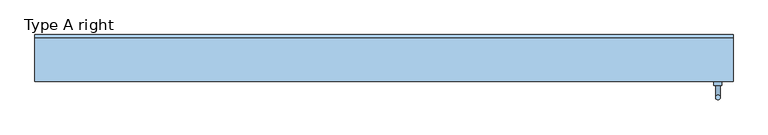
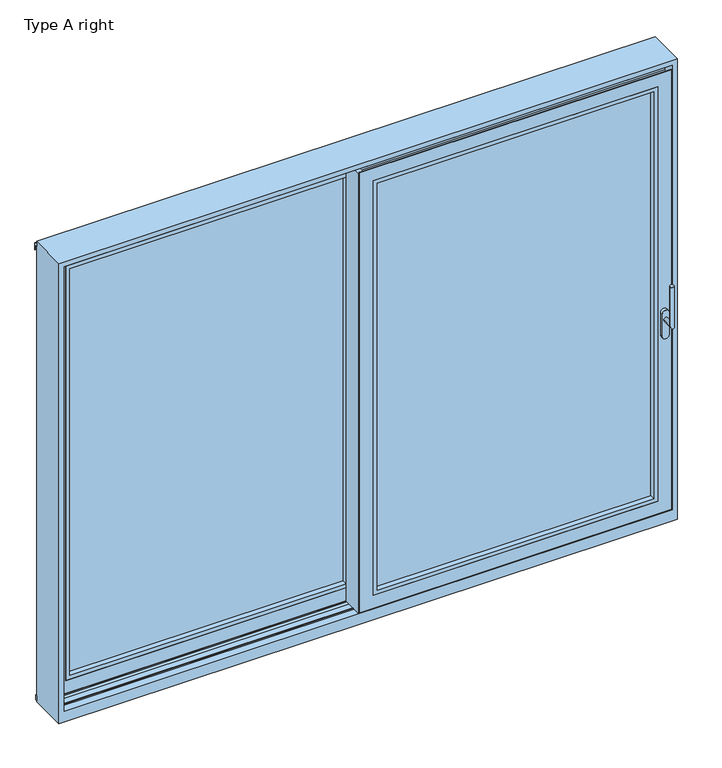
"""IFC4 building model written with IfcOpenShell, lengths in millimetres: window geometry, Type A right."""

from ifc_helpers import new_model, si_unit, point, frame, frame_2d, origin, place, context, project, spatial, polyline, circle_curve, ellipse_curve, trimmed, segment, composite_curve, outline, extrude, faceted_brep, source, transform, mapped, element, save
from ifc_brep_helpers import plane_surface, cylinder_surface, advanced_brep


def type_a_right_eb7c89fa(model_context):
    return source(origin(), model_context, "Body", "SolidModel", [
        extrude(outline(polyline([(-1446.5, 87.0), (-1446.5, 80.0), (-1465.0, 80.0), (-1465.0, 87.0), (-1446.5, 87.0)])), frame((0.0, 0.0, 18.5), z_axis=(0.0, 0.0, 1.0), x_axis=(1.0, 0.0, 0.0)), (0.0, 0.0, 1.0), 2211.5),
        extrude(outline(polyline([(-1446.5, 20.0), (-1446.5, 13.0), (-1465.0, 13.0), (-1465.0, 20.0), (-1446.5, 20.0)])), frame((0.0, 0.0, 18.5), z_axis=(0.0, 0.0, 1.0), x_axis=(1.0, 0.0, 0.0)), (0.0, 0.0, 1.0), 2211.5),
        extrude(outline(polyline([(0.0, -9.0), (0.0, -6.0013087), (6.0, -6.0013087), (6.0, 4.0), (-8.5, 4.0), (-8.5, 10.0), (39.5, 10.0), (39.5, 13.0), (24.5, 13.0), (24.5, 87.0), (41.5, 87.0), (41.5, 90.0), (47.5, 90.0), (47.5, -9.0), (0.0, -9.0)])), frame((0.0, 0.0, 3.5), z_axis=(0.0, 0.0, 1.0), x_axis=(1.0, 0.0, 0.0)), (0.0, 0.0, 1.0), 2241.5),
        faceted_brep([(-1461.5, 87.0, 2245.0), (-1461.5, 90.0, 2245.0), (-1461.5, 90.0, 3.5), (-1461.5, 87.0, 3.5), (39.5, 90.0, 3.5), (39.5, 87.0, 3.5), (39.5, 90.0, 2245.0), (-45.5, 90.0, 88.5), (-45.5, 90.0, 2160.0), (-1376.5, 90.0, 2160.0), (-1376.5, 90.0, 88.5), (39.5, 87.0, 2245.0), (-1446.5, 87.0, 18.5), (-1446.5, 87.0, 2230.0), (24.5, 87.0, 2230.0), (24.5, 87.0, 18.5), (-1461.5, 13.0, 3.5), (-1461.5, 13.0, 2245.0), (39.5, 13.0, 2245.0), (39.5, 13.0, 3.5), (24.5, 13.0, 18.5), (24.5, 13.0, 2230.0), (-1446.5, 13.0, 2230.0), (-1446.5, 13.0, 18.5), (-1461.5, 10.0, 2245.0), (-1461.5, 10.0, 3.5), (39.5, 10.0, 3.5), (39.5, 10.0, 2245.0), (-1396.5, 10.0, 68.5), (-1396.5, 10.0, 2180.0), (-25.5, 10.0, 2180.0), (-25.5, 10.0, 68.5), (-1396.5, 82.0, 2180.0), (-1396.5, 82.0, 68.5), (-25.5, 82.0, 68.5), (-25.5, 82.0, 2180.0), (-1376.5, 82.0, 88.5), (-1376.5, 82.0, 2160.0), (-45.5, 82.0, 2160.0), (-45.5, 82.0, 88.5)], [[[0, 1, 2, 3]], [[3, 2, 4, 5]], [[2, 1, 6, 4], [7, 8, 9, 10]], [[5, 4, 6, 11]], [[5, 11, 0, 3], [12, 13, 14, 15]], [[16, 17, 18, 19], [20, 21, 22, 23]], [[24, 17, 16, 25]], [[25, 16, 19, 26]], [[26, 19, 18, 27]], [[26, 27, 24, 25], [28, 29, 30, 31]], [[32, 29, 28, 33]], [[33, 28, 31, 34]], [[34, 31, 30, 35]], [[34, 35, 32, 33], [36, 37, 38, 39]], [[9, 37, 36, 10]], [[10, 36, 39, 7]], [[7, 39, 38, 8]], [[11, 6, 1, 0]], [[27, 18, 17, 24]], [[35, 30, 29, 32]], [[8, 38, 37, 9]], [[22, 13, 12, 23]], [[20, 15, 14, 21]], [[23, 12, 15, 20]], [[21, 14, 13, 22]]]),
        extrude(outline(polyline([(2180.0, -1396.5), (68.5, -1396.5), (68.5, -25.5), (2180.0, -25.5), (2180.0, -1396.5)]), holes=[polyline([(2160.0, -45.5), (88.5, -45.5), (88.5, -1376.5), (2160.0, -1376.5), (2160.0, -45.5)])]), frame((0.0, 10.5, 0.0), z_axis=(0.0, 1.0, 0.0), x_axis=(0.0, 0.0, 1.0)), (0.0, 0.0, 1.0), 25.5),
        extrude(outline(polyline([(-1396.5, 82.0), (-25.5, 82.0), (-25.5, 36.0), (-1396.5, 36.0), (-1396.5, 82.0)])), frame((0.0, 0.0, 68.5), z_axis=(0.0, 0.0, 1.0), x_axis=(1.0, 0.0, 0.0)), (0.0, 0.0, 1.0), 2111.5),
        extrude(outline(polyline([(24.5, 59.0), (24.5, 41.0), (-1446.5, 41.0), (-1446.5, 59.0), (24.5, 59.0)])), frame((0.0, 0.0, 2230.0), z_axis=(0.0, 0.0, 1.0), x_axis=(1.0, 0.0, 0.0)), (0.0, 0.0, 1.0), 20.0),
        advanced_brep(
        [(1435.0, -111.0, 995.0), (1415.0, -111.0, 995.0), (1415.0, -163.0, 995.0), (1435.0, -163.0, 995.0), (1435.0, -163.0, 1195.0), (1415.0, -163.0, 1195.0)],
        [
            (0, 1, circle_curve(frame((1425.0, -111.0, 995.0), z_axis=(0.0, 1.0, 0.0), x_axis=(-1.0000000000000009, 0.0, 0.0)), 10.0)),
            (1, 0, circle_curve(frame((1425.0, -111.0, 995.0), z_axis=(0.0, 1.0, 0.0), x_axis=(-1.0000000000000009, 0.0, 0.0)), 10.0)),
            (1, 2),
            (2, 3, ellipse_curve(frame((1425.0, -163.0, 995.0), z_axis=(0.0, 0.7071067811865475, -0.7071067811865475), x_axis=(0.0, 0.7071067811865476, 0.7071067811865474)), 14.1421356, 10.0)),
            (3, 0),
            (3, 2, ellipse_curve(frame((1425.0, -163.0, 995.0), z_axis=(0.0, 0.7071067811865475, -0.7071067811865475), x_axis=(0.0, 0.7071067811865476, 0.7071067811865474)), 14.1421356, 10.0)),
            (4, 5, circle_curve(frame((1425.0, -163.0, 1195.0), z_axis=(0.0, 0.0, 1.0), x_axis=(-1.0000000000000009, 0.0, 0.0)), 10.0)),
            (5, 4, circle_curve(frame((1425.0, -163.0, 1195.0), z_axis=(0.0, 0.0, 1.0), x_axis=(-1.0000000000000009, 0.0, 0.0)), 10.0)),
            (2, 5),
            (4, 3),
        ],
        [
            plane_surface(frame((1425.0, -111.0, 995.0), z_axis=(0.0, 1.0, 0.0), x_axis=(-1.0, 0.0, 0.0))),
            cylinder_surface(frame((1425.0, -111.0, 995.0), z_axis=(0.0, 1.0000000000000009, 0.0), x_axis=(-1.0000000000000009, 0.0, 0.0)), 10.0),
            plane_surface(frame((1425.0, -163.0, 1195.0), z_axis=(0.0, 0.0, 1.0), x_axis=(-1.0, 0.0, 0.0))),
            cylinder_surface(frame((1425.0, -163.0, 995.0), z_axis=(0.0, 0.0, -1.0), x_axis=(-1.0000000000000009, 0.0, 0.0)), 10.0),
        ],
        [
            (0, [[1, 2]]),
            (1, [[3, 4, 5, -2]]),
            (1, [[-5, 6, -3, -1]]),
            (2, [[7, 8]]),
            (3, [[9, -7, 10, -4]]),
            (3, [[-10, -8, -9, -6]]),
        ],
    ),
        extrude(outline(composite_curve([segment(polyline([(913.2823932, 1441.75), (1025.0099288, 1441.75)]), True, "CONTINUOUS"), segment(trimmed(circle_curve(frame_2d((1025.0099288, 1425.0)), 16.75), [point((1025.0099288, 1441.75))], [point((1025.0099288, 1408.25))], False, "CARTESIAN"), True, "CONTINUOUS"), segment(polyline([(1025.0099288, 1408.25), (913.2823932, 1408.25)]), True, "CONTINUOUS"), segment(trimmed(circle_curve(frame_2d((913.2823932, 1425.0)), 16.75), [point((913.2823932, 1408.25))], [point((913.2823932, 1441.75))], False, "CARTESIAN"), True, "CONTINUOUS")], self_intersect=False)), frame((0.0, -111.0, 0.0), z_axis=(0.0, 1.0, 0.0), x_axis=(0.0, 0.0, 1.0)), (0.0, 0.0, 1.0), 16.0),
        extrude(outline(polyline([(1446.5, -18.0), (1465.0, -18.0), (1465.0, -25.0), (1446.5, -25.0), (1446.5, -18.0)])), frame((0.0, 0.0, 18.5), z_axis=(0.0, 0.0, 1.0), x_axis=(1.0, 0.0, 0.0)), (0.0, 0.0, 1.0), 2211.5),
        extrude(outline(polyline([(1446.5, -85.0), (1465.0, -85.0), (1465.0, -92.0), (1446.5, -92.0), (1446.5, -85.0)])), frame((0.0, 0.0, 18.5), z_axis=(0.0, 0.0, 1.0), x_axis=(1.0, 0.0, 0.0)), (0.0, 0.0, 1.0), 2211.5),
        extrude(outline(polyline([(-47.5, 4.0), (0.0, 4.0), (0.0, 1.0013087), (-6.0, 1.0013087), (-6.0, -9.0), (8.5, -9.0), (8.5, -15.0), (-39.5, -15.0), (-39.5, -18.0), (-24.5, -18.0), (-24.5, -92.0), (-41.5, -92.0), (-41.5, -95.0), (-47.5, -95.0), (-47.5, 4.0)])), frame((0.0, 0.0, 3.5), z_axis=(0.0, 0.0, 1.0), x_axis=(1.0, 0.0, 0.0)), (0.0, 0.0, 1.0), 2241.5),
        faceted_brep([(1461.5, -18.0, 2245.0), (1461.5, -18.0, 3.5), (1461.5, -15.0, 3.5), (1461.5, -15.0, 2245.0), (-39.5, -18.0, 3.5), (-39.5, -15.0, 3.5), (-39.5, -15.0, 2245.0), (45.5, -15.0, 88.5), (1376.5, -15.0, 88.5), (1376.5, -15.0, 2160.0), (45.5, -15.0, 2160.0), (-39.5, -18.0, 2245.0), (1446.5, -18.0, 18.5), (-24.5, -18.0, 18.5), (-24.5, -18.0, 2230.0), (1446.5, -18.0, 2230.0), (1461.5, -92.0, 3.5), (-39.5, -92.0, 3.5), (-39.5, -92.0, 2245.0), (1461.5, -92.0, 2245.0), (-24.5, -92.0, 18.5), (1446.5, -92.0, 18.5), (1446.5, -92.0, 2230.0), (-24.5, -92.0, 2230.0), (1461.5, -95.0, 2245.0), (1461.5, -95.0, 3.5), (-39.5, -95.0, 3.5), (-39.5, -95.0, 2245.0), (1396.5, -95.0, 68.5), (25.5, -95.0, 68.5), (25.5, -95.0, 2180.0), (1396.5, -95.0, 2180.0), (1396.5, -23.0, 2180.0), (1396.5, -23.0, 68.5), (25.5, -23.0, 68.5), (25.5, -23.0, 2180.0), (1376.5, -23.0, 88.5), (45.5, -23.0, 88.5), (45.5, -23.0, 2160.0), (1376.5, -23.0, 2160.0)], [[[0, 1, 2, 3]], [[1, 4, 5, 2]], [[2, 5, 6, 3], [7, 8, 9, 10]], [[4, 11, 6, 5]], [[4, 1, 0, 11], [12, 13, 14, 15]], [[16, 17, 18, 19], [20, 21, 22, 23]], [[24, 25, 16, 19]], [[25, 26, 17, 16]], [[26, 27, 18, 17]], [[26, 25, 24, 27], [28, 29, 30, 31]], [[32, 33, 28, 31]], [[33, 34, 29, 28]], [[34, 35, 30, 29]], [[34, 33, 32, 35], [36, 37, 38, 39]], [[9, 8, 36, 39]], [[8, 7, 37, 36]], [[7, 10, 38, 37]], [[11, 0, 3, 6]], [[27, 24, 19, 18]], [[35, 32, 31, 30]], [[10, 9, 39, 38]], [[22, 21, 12, 15]], [[20, 23, 14, 13]], [[21, 20, 13, 12]], [[23, 22, 15, 14]]]),
        extrude(outline(polyline([(2180.0, 1396.5), (2180.0, 25.5), (68.5, 25.5), (68.5, 1396.5), (2180.0, 1396.5)]), holes=[polyline([(2160.0, 45.5), (2160.0, 1376.5), (88.5, 1376.5), (88.5, 45.5), (2160.0, 45.5)])]), frame((0.0, -94.5, 0.0), z_axis=(0.0, 1.0, 0.0), x_axis=(0.0, 0.0, 1.0)), (0.0, 0.0, 1.0), 25.5),
        extrude(outline(polyline([(1396.5, -23.0), (1396.5, -69.0), (25.5, -69.0), (25.5, -23.0), (1396.5, -23.0)])), frame((0.0, 0.0, 68.5), z_axis=(0.0, 0.0, 1.0), x_axis=(1.0, 0.0, 0.0)), (0.0, 0.0, 1.0), 2111.5),
        extrude(outline(polyline([(-24.5, -46.0), (1446.5, -46.0), (1446.5, -64.0), (-24.5, -64.0), (-24.5, -46.0)])), frame((0.0, 0.0, 2230.0), z_axis=(0.0, 0.0, 1.0), x_axis=(1.0, 0.0, 0.0)), (0.0, 0.0, 1.0), 20.0),
        extrude(outline(polyline([(90.0, -24.1943734), (97.0, -24.5), (97.0, -49.0), (90.0, -49.0), (90.0, -24.1943734)])), frame((-1490.0, 0.0, 0.0), z_axis=(1.0, 0.0, 0.0), x_axis=(0.0, 1.0, 0.0)), (0.0, 0.0, 1.0), 2980.0),
        extrude(outline(polyline([(105.0003684, 2275.1806742), (105.0003684, 2239.2221261), (103.0003684, 2239.2221261), (103.0003684, 2265.2221261), (90.0003684, 2265.2221261), (90.0003684, 2283.8409282), (105.0003684, 2275.1806742)])), frame((-1490.0, 0.0, 0.0), z_axis=(1.0, 0.0, 0.0), x_axis=(0.0, 1.0, 0.0)), (0.0, 0.0, 1.0), 2980.0),
        faceted_brep([(1490.0, -95.0, -55.0), (1490.0, 90.0, -55.0), (1490.0, 90.0, 2290.0), (1490.0, -95.0, 2290.0), (-1490.0, -95.0, 2290.0), (-1490.0, 90.0, 2290.0), (-1490.0, 90.0, -55.0), (-1490.0, -95.0, -55.0), (1465.0, -15.0, 2265.0), (1465.0, -15.0, 0.0), (1465.0, -52.5, 0.0), (1465.0, -52.5, 5.0), (1465.0, -57.5, 5.0), (1465.0, -57.5, 0.0), (1465.0, -95.0, 0.0), (1465.0, -95.0, 2265.0), (-1465.0, -95.0, 2265.0), (-1465.0, -95.0, 0.0), (-1465.0, -57.5, 0.0), (-1465.0, -57.5, 5.0), (-1465.0, -52.5, 5.0), (-1465.0, -52.5, 0.0), (-1465.0, -15.0, 0.0), (-1465.0, -15.0, 2265.0), (1467.0, 10.0, 2267.0), (1467.0, 10.0, 0.0), (1467.0, 9.8, 0.0), (1467.0, 9.8, -4.0), (1467.0, -14.8, -4.0), (1467.0, -14.8, 0.0), (1467.0, -15.0, 0.0), (1467.0, -15.0, 2267.0), (-1467.0, -15.0, 2267.0), (-1467.0, -15.0, 0.0), (-1467.0, -14.8, 0.0), (-1467.0, -14.8, -4.0), (-1467.0, 9.8, -4.0), (-1467.0, 9.8, 0.0), (-1467.0, 10.0, 0.0), (-1467.0, 10.0, 2267.0), (1465.0, 90.0, 2265.0), (1465.0, 90.0, 0.0), (1465.0, 52.5, 0.0), (1465.0, 52.5, 5.0), (1465.0, 47.5, 5.0), (1465.0, 47.5, 0.0), (1465.0, 10.0, 0.0), (1465.0, 10.0, 2265.0), (-1465.0, 10.0, 2265.0), (-1465.0, 10.0, 0.0), (-1465.0, 47.5, 0.0), (-1465.0, 47.5, 5.0), (-1465.0, 52.5, 5.0), (-1465.0, 52.5, 0.0), (-1465.0, 90.0, 0.0), (-1465.0, 90.0, 2265.0)], [[[0, 1, 2, 3]], [[4, 5, 6, 7]], [[8, 9, 10, 11, 12, 13, 14, 15]], [[16, 17, 18, 19, 20, 21, 22, 23]], [[24, 25, 26, 27, 28, 29, 30, 31]], [[32, 33, 34, 35, 36, 37, 38, 39]], [[40, 41, 42, 43, 44, 45, 46, 47]], [[48, 49, 50, 51, 52, 53, 54, 55]], [[4, 3, 2, 5]], [[16, 23, 8, 15]], [[32, 39, 24, 31]], [[48, 55, 40, 47]], [[6, 1, 0, 7]], [[0, 3, 4, 7], [16, 15, 14, 17]], [[6, 5, 2, 1], [40, 55, 54, 41]], [[14, 13, 18, 17]], [[23, 22, 33, 32, 31, 30, 9, 8]], [[10, 9, 30, 29, 34, 33, 22, 21]], [[11, 10, 21, 20]], [[12, 11, 20, 19]], [[13, 12, 19, 18]], [[39, 38, 49, 48, 47, 46, 25, 24]], [[54, 53, 42, 41]], [[43, 42, 53, 52]], [[44, 43, 52, 51]], [[45, 44, 51, 50]], [[50, 49, 38, 37, 26, 25, 46, 45]], [[27, 26, 37, 36]], [[28, 27, 36, 35]], [[29, 28, 35, 34]]]),
        extrude(outline(polyline([(-44.0, 2244.0917893), (-44.0, 2262.0), (-66.0, 2262.0), (-66.0, 2244.0917893), (-69.0, 2244.0917893), (-69.0, 2265.0), (-41.0, 2265.0), (-41.0, 2244.0917893), (-44.0, 2244.0917893)])), frame((-1465.0, 0.0, 0.0), z_axis=(1.0, 0.0, 0.0), x_axis=(0.0, 1.0, 0.0)), (0.0, 0.0, 1.0), 2930.0),
        extrude(outline(polyline([(61.0, 2244.0917893), (61.0, 2262.0), (39.0, 2262.0), (39.0, 2244.0917893), (36.0, 2244.0917893), (36.0, 2265.0), (64.0, 2265.0), (64.0, 2244.0917893), (61.0, 2244.0917893)])), frame((-1465.0, 0.0, 0.0), z_axis=(1.0, 0.0, 0.0), x_axis=(0.0, 1.0, 0.0)), (0.0, 0.0, 1.0), 2930.0),
    ])


if __name__ == "__main__":
    model = new_model("IFC4")
    model_context = context("Model", 3, world=origin())
    ifc_project = project(units=[si_unit("LENGTHUNIT", "METRE", prefix="MILLI")], contexts=[model_context])
    site = spatial("IfcSite", under=ifc_project)
    building = spatial("IfcBuilding", under=site)
    placement = place(None, origin())
    type_a_right_shape = type_a_right_eb7c89fa(model_context)
    element("IfcWindow", 1, ObjectType="Type A right", at=placement, inside=building, context=model_context, shape_type="MappedRepresentation", body=[
        mapped(type_a_right_shape, transform((0.0, 0.0, 0.0), x_axis=(1.0, 0.0, 0.0), y_axis=(0.0, 1.0, 0.0), z_axis=(0.0, 0.0, 1.0))),
    ])
    save(model, "model.ifc")
